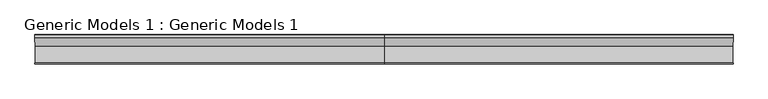
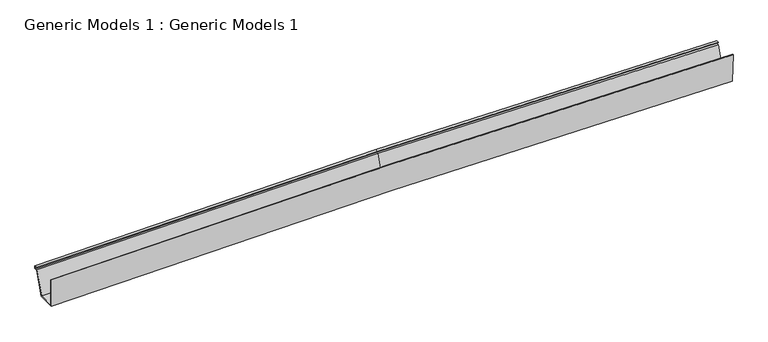
"""IFC4 building model written with IfcOpenShell, lengths in millimetres: proxy geometry, Generic Models 1 : Generic Models 1."""

from ifc_helpers import new_model, si_unit, origin, place, context, project, spatial, faceted_brep, source, transform, mapped, element, save


def generic_models_1_generic_models_1_28059c3d(model_context):
    return source(origin(), model_context, "Body", "Brep", [
        faceted_brep([(-2852.3537969, 6158.3037517, 69.9724456), (-2853.7006452, 6155.6604694, 196.85), (-2853.7006452, 6158.8347806, 196.9161315), (-2852.3874914, 6161.4119352, 73.2127095), (-2852.3874914, 6232.0593081, 74.6845298), (-2853.4647838, 6268.0367822, 176.9626024), (-2853.4647838, 6279.9215007, 177.2102007), (-2853.5321728, 6279.7892452, 183.5584656), (-2853.5321728, 6270.2663115, 183.3600712), (-2853.5658673, 6270.2001838, 186.5342036), (-2853.5658673, 6282.8974286, 186.7987295), (-2853.4310893, 6283.1619396, 174.1021997), (-2853.4310893, 6270.4646948, 173.8376738), (-2852.3537969, 6234.4872207, 71.5596012), (-1329.7006452, 6157.9671587, 86.1289133), (192.9525065, 6158.3037517, 69.9724456), (194.2993548, 6155.6604694, 196.85), (-1329.7006452, 6155.3235786, 213.0207588), (-1329.7006452, 6158.4978898, 213.0868903), (194.2993548, 6158.8347806, 196.9161315), (192.986201, 6161.4119352, 73.2127095), (-1329.7006452, 6161.0753347, 89.3695348), (-1329.7006452, 6231.7227075, 90.8413551), (-1329.7006452, 6267.6999436, 193.1308586), (-1329.7006452, 6279.584662, 193.3784569), (194.0634933, 6279.9215007, 177.2102007), (194.1308823, 6279.7892452, 183.5584656), (-1329.7006452, 6279.4523916, 199.7274368), (-1329.7006452, 6269.929458, 199.5290424), (194.1308823, 6270.2663115, 183.3600712), (194.1645768, 6270.2001838, 186.5342036), (-1329.7006452, 6269.8633228, 202.7035323), (-1329.7006452, 6282.5605676, 202.9680583), (194.1645768, 6282.8974286, 186.7987295), (194.0297988, 6283.1619396, 174.1021997), (-1329.7006452, 6282.8251084, 190.2700984), (-1329.7006452, 6270.1278636, 190.0055725), (-1329.7006452, 6234.1506276, 87.7160689), (192.9525065, 6234.4872207, 71.5596012), (194.0297988, 6270.4646948, 173.8376738), (194.0634933, 6268.0367822, 176.9626024), (192.986201, 6232.0593081, 74.6845298)], [[[0, 1, 2, 3, 4, 5, 6, 7, 8, 9, 10, 11, 12, 13]], [[1, 0, 14, 15, 16, 17]], [[2, 1, 17, 18]], [[3, 2, 18, 19, 20, 21]], [[4, 3, 21, 22]], [[5, 4, 22, 23]], [[6, 5, 23, 24]], [[7, 6, 24, 25, 26, 27]], [[8, 7, 27, 28]], [[9, 8, 28, 29, 30, 31]], [[10, 9, 31, 32]], [[11, 10, 32, 33, 34, 35]], [[12, 11, 35, 36]], [[13, 12, 36, 37]], [[0, 13, 37, 14]], [[15, 38, 39, 34, 33, 30, 29, 26, 25, 40, 41, 20, 19, 16]], [[18, 17, 16, 19]], [[22, 21, 20, 41]], [[23, 22, 41, 40]], [[24, 23, 40, 25]], [[28, 27, 26, 29]], [[32, 31, 30, 33]], [[36, 35, 34, 39]], [[37, 36, 39, 38]], [[14, 37, 38, 15]]]),
    ])


if __name__ == "__main__":
    model = new_model("IFC4")
    model_context = context("Model", 3, world=origin())
    ifc_project = project(units=[si_unit("LENGTHUNIT", "METRE", prefix="MILLI")], contexts=[model_context])
    site = spatial("IfcSite", under=ifc_project)
    building = spatial("IfcBuilding", under=site)
    placement = place(None, origin())
    generic_models_1_generic_models_1_shape = generic_models_1_generic_models_1_28059c3d(model_context)
    element("IfcBuildingElementProxy", 1, Name="Generic Models 1 : Generic Models 1", ObjectType="Generic Models 1 : Generic Models 1", at=placement, inside=building, context=model_context, shape_type="MappedRepresentation", body=[
        mapped(generic_models_1_generic_models_1_shape, transform((0.0, 0.0, 0.0), x_axis=(1.0, 0.0, 0.0), y_axis=(0.0, 1.0, 0.0), z_axis=(0.0, 0.0, 1.0))),
    ])
    save(model, "model.ifc")
